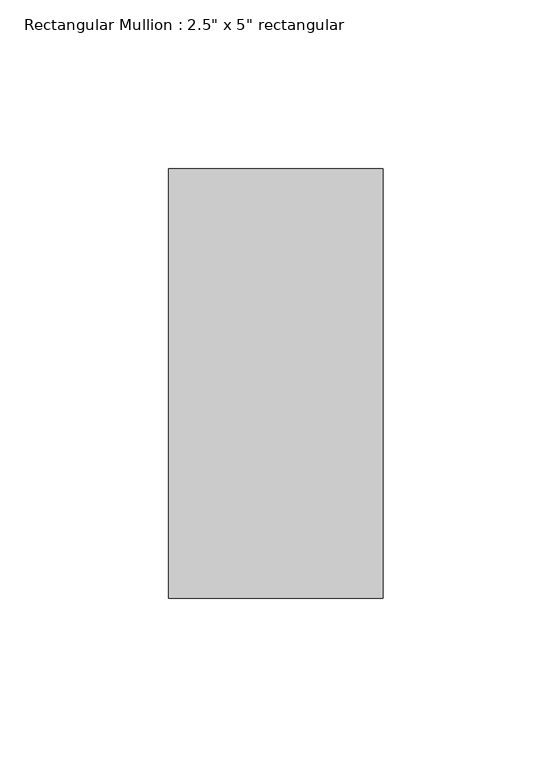
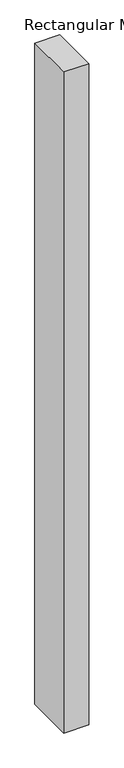
"""IFC4 building model written with IfcOpenShell, lengths in millimetres: member geometry."""

from ifc_helpers import new_model, si_unit, frame, origin, place, context, project, spatial, polyline, outline, extrude, source, transform, mapped, element, save


def member_850f8192(model_context):
    return source(origin(), model_context, "Body", "SweptSolid", [
        extrude(outline(polyline([(31.75, 63.5), (31.75, -63.5), (-31.75, -63.5), (-31.75, 63.5), (31.75, 63.5)])), frame((0.0, 0.0, -1777.4708333), z_axis=(0.0, 0.0, 1.0), x_axis=(1.0, 0.0, 0.0)), (0.0, 0.0, 1.0), 1777.4708333),
    ])


if __name__ == "__main__":
    model = new_model("IFC4")
    model_context = context("Model", 3, world=origin())
    ifc_project = project(units=[si_unit("LENGTHUNIT", "METRE", prefix="MILLI")], contexts=[model_context])
    site = spatial("IfcSite", under=ifc_project)
    building = spatial("IfcBuilding", under=site)
    placement = place(None, origin())
    member_shape = member_850f8192(model_context)
    element("IfcMember", 1, ObjectType="Rectangular Mullion : 2.5\" x 5\" rectangular", at=placement, inside=building, context=model_context, shape_type="MappedRepresentation", body=[
        mapped(member_shape, transform((0.0, 0.0, 0.0), x_axis=(1.0, 0.0, 0.0), y_axis=(0.0, 1.0, 0.0), z_axis=(0.0, 0.0, 1.0))),
    ])
    save(model, "model.ifc")
